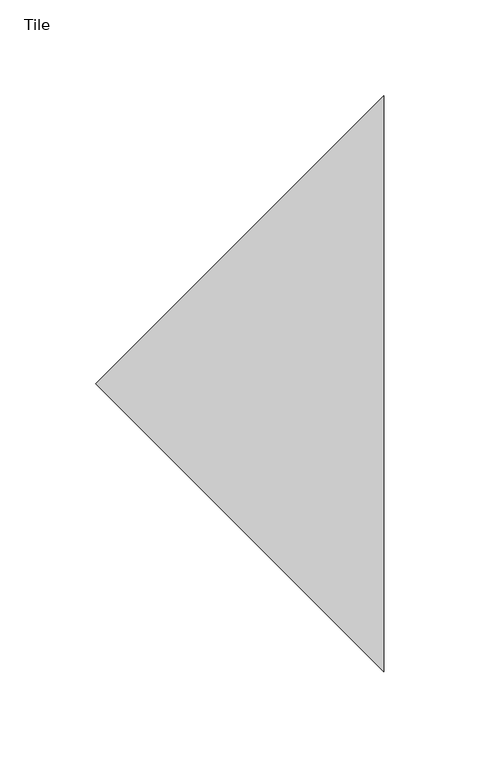
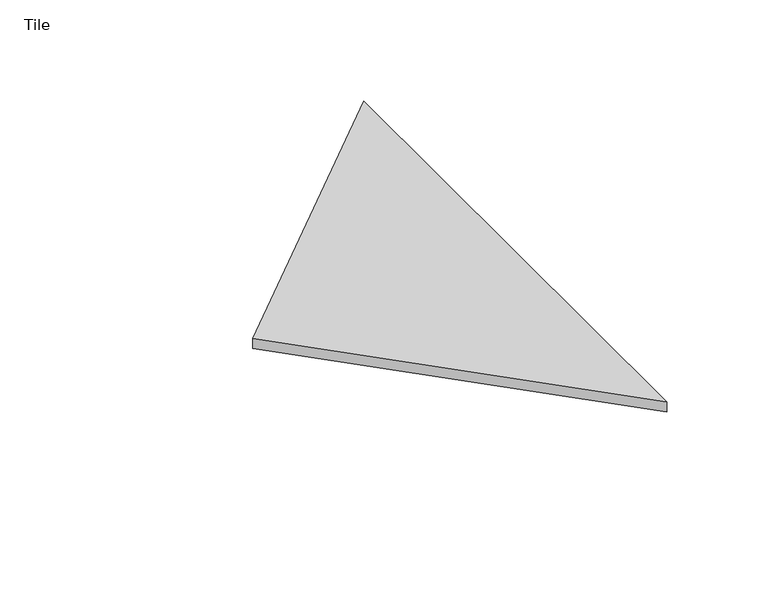
"""IFC4 building model written with IfcOpenShell, lengths in millimetres: proxy geometry, Tile."""

from ifc_helpers import new_model, si_unit, origin, origin_with_axes, place, context, project, spatial, polyline, outline, extrude, source, transform, mapped, element, save


def tile_fe8f3e57(model_context):
    return source(origin(), model_context, "Body", "SweptSolid", [
        extrude(outline(polyline([(150.0, 150.0), (300.0, 300.0), (300.0, 0.0), (150.0, 150.0)])), origin_with_axes(), (0.0, 0.0, 1.0), 6.0),
    ])


if __name__ == "__main__":
    model = new_model("IFC4")
    model_context = context("Model", 3, world=origin())
    ifc_project = project(units=[si_unit("LENGTHUNIT", "METRE", prefix="MILLI")], contexts=[model_context])
    site = spatial("IfcSite", under=ifc_project)
    building = spatial("IfcBuilding", under=site)
    placement = place(None, origin())
    tile_shape = tile_fe8f3e57(model_context)
    element("IfcBuildingElementProxy", 1, Name="Tile", ObjectType="Tile", at=placement, inside=building, context=model_context, shape_type="MappedRepresentation", body=[
        mapped(tile_shape, transform((0.0, 0.0, 0.0), x_axis=(1.0, 0.0, 0.0), y_axis=(0.0, 1.0, 0.0), z_axis=(0.0, 0.0, 1.0))),
    ])
    save(model, "model.ifc")
